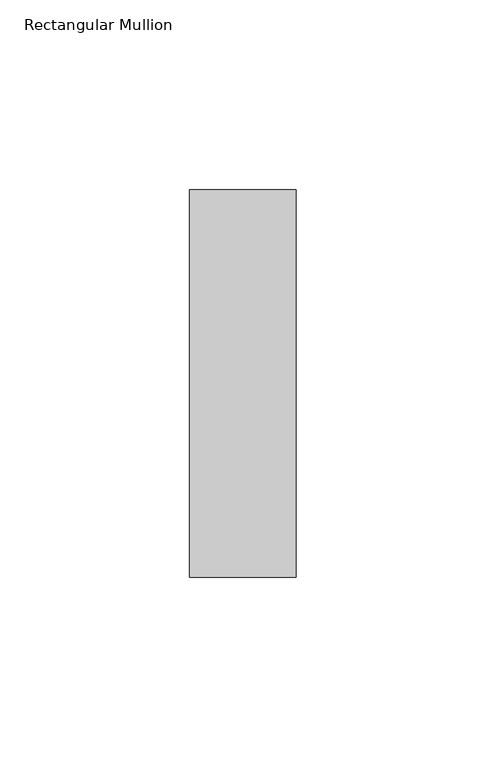
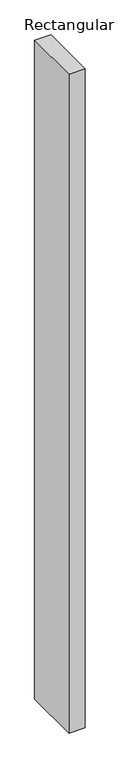
"""IFC4 building model written with IfcOpenShell, lengths in millimetres: member geometry, Rectangular Mullion."""

from ifc_helpers import new_model, si_unit, frame, origin, place, context, project, spatial, polyline, outline, extrude, source, transform, mapped, element, save


def rectangular_mullion_95a0a967(model_context):
    return source(origin(), model_context, "Body", "SweptSolid", [
        extrude(outline(polyline([(-28.0, -51.0), (-28.0, 51.0), (0.0, 51.0), (0.0, -51.0), (-28.0, -51.0)])), frame((0.0, 0.0, -1200.0), z_axis=(0.0, 0.0, 1.0), x_axis=(1.0, 0.0, 0.0)), (0.0, 0.0, 1.0), 1200.0),
    ])


if __name__ == "__main__":
    model = new_model("IFC4")
    model_context = context("Model", 3, world=origin())
    ifc_project = project(units=[si_unit("LENGTHUNIT", "METRE", prefix="MILLI")], contexts=[model_context])
    site = spatial("IfcSite", under=ifc_project)
    building = spatial("IfcBuilding", under=site)
    placement = place(None, origin())
    rectangular_mullion_shape = rectangular_mullion_95a0a967(model_context)
    element("IfcMember", 1, ObjectType="Rectangular Mullion", at=placement, inside=building, context=model_context, shape_type="MappedRepresentation", body=[
        mapped(rectangular_mullion_shape, transform((0.0, 0.0, 0.0), x_axis=(1.0, 0.0, 0.0), y_axis=(0.0, 1.0, 0.0), z_axis=(0.0, 0.0, 1.0))),
    ])
    save(model, "model.ifc")
